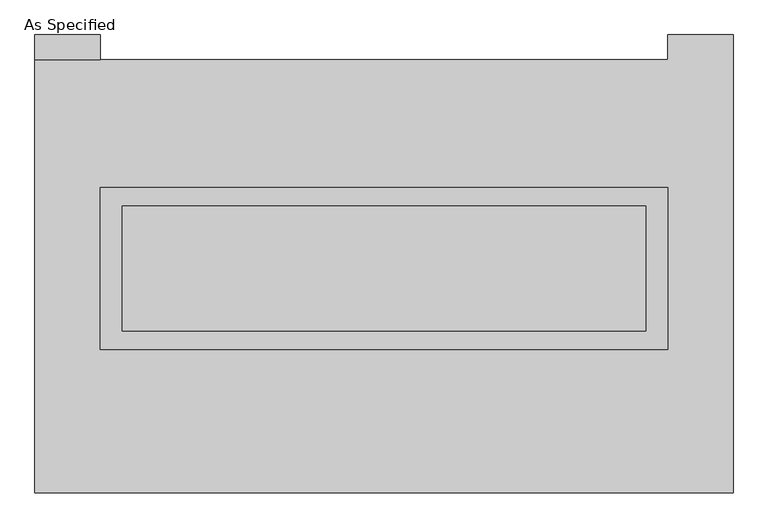
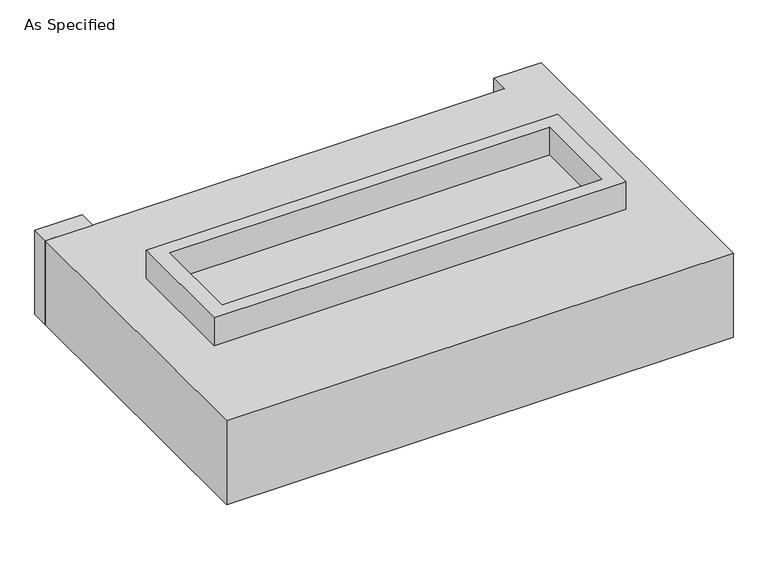
"""IFC4 building model written with IfcOpenShell, lengths in millimetres: proxy geometry, As Specified."""

from ifc_helpers import new_model, si_unit, frame, origin, place, context, project, spatial, polyline, outline, extrude, source, transform, mapped, element, save


def as_specified_7ca38509(model_context):
    return source(origin(), model_context, "Body", "SweptSolid", [
        extrude(outline(polyline([(1155.7, 361.95), (1155.7, -298.45), (-1155.7, -298.45), (-1155.7, 361.95), (1155.7, 361.95)]), holes=[polyline([(1066.8, 285.75), (-1066.8, 285.75), (-1066.8, -222.25), (1066.8, -222.25), (1066.8, 285.75)])]), frame((0.0, 0.0, -688.975), z_axis=(0.0, 0.0, 1.0), x_axis=(1.0, 0.0, 0.0)), (0.0, 0.0, 1.0), 165.1),
        extrude(outline(polyline([(1155.7, 361.95), (1155.7, -298.45), (-1155.7, -298.45), (-1155.7, 361.95), (1155.7, 361.95)]), holes=[polyline([(1066.8, 285.75), (-1066.8, 285.75), (-1066.8, -222.25), (1066.8, -222.25), (1066.8, 285.75)])]), frame((0.0, 0.0, -25.4), z_axis=(0.0, 0.0, 1.0), x_axis=(1.0, 0.0, 0.0)), (0.0, 0.0, 1.0), 165.1),
        extrude(outline(polyline([(-1155.7, 882.65), (-1422.4, 882.65), (-1422.4, 984.25), (-1155.7, 984.25), (-1155.7, 882.65)])), frame((0.0, 0.0, -523.875), z_axis=(0.0, 0.0, 1.0), x_axis=(1.0, 0.0, 0.0)), (0.0, 0.0, 1.0), 498.475),
        extrude(outline(polyline([(1066.8, 285.75), (1066.8, -222.25), (-1066.8, -222.25), (-1066.8, 285.75), (1066.8, 285.75)])), frame((0.0, 0.0, -523.875), z_axis=(0.0, 0.0, 1.0), x_axis=(1.0, 0.0, 0.0)), (0.0, 0.0, 1.0), 4.9609375),
        extrude(outline(polyline([(1066.8, 285.75), (1066.8, -222.25), (-1066.8, -222.25), (-1066.8, 285.75), (1066.8, 285.75)])), frame((0.0, 0.0, -30.3609375), z_axis=(0.0, 0.0, 1.0), x_axis=(1.0, 0.0, 0.0)), (0.0, 0.0, 1.0), 4.9609375),
        extrude(outline(polyline([(1422.4, -882.65), (-1422.4, -882.65), (-1422.4, 882.65), (1155.7, 882.65), (1155.7, 984.25), (1422.4, 984.25), (1422.4, -882.65)]), holes=[polyline([(-1155.7, 361.95), (-1155.7, -298.45), (1155.7, -298.45), (1155.7, 361.95), (-1155.7, 361.95)])]), frame((0.0, 0.0, -523.875), z_axis=(0.0, 0.0, 1.0), x_axis=(1.0, 0.0, 0.0)), (0.0, 0.0, 1.0), 498.475),
    ])


if __name__ == "__main__":
    model = new_model("IFC4")
    model_context = context("Model", 3, world=origin())
    ifc_project = project(units=[si_unit("LENGTHUNIT", "METRE", prefix="MILLI")], contexts=[model_context])
    site = spatial("IfcSite", under=ifc_project)
    building = spatial("IfcBuilding", under=site)
    placement = place(None, origin())
    as_specified_shape = as_specified_7ca38509(model_context)
    element("IfcBuildingElementProxy", 1, Name="As Specified", ObjectType="As Specified", at=placement, inside=building, context=model_context, shape_type="MappedRepresentation", body=[
        mapped(as_specified_shape, transform((0.0, 0.0, 0.0), x_axis=(1.0, 0.0, 0.0), y_axis=(0.0, 1.0, 0.0), z_axis=(0.0, 0.0, 1.0))),
    ])
    save(model, "model.ifc")
